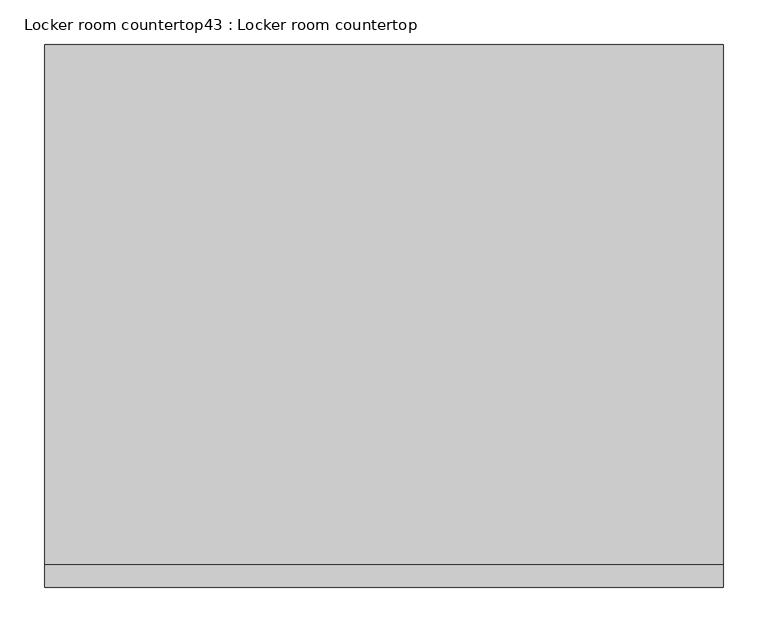
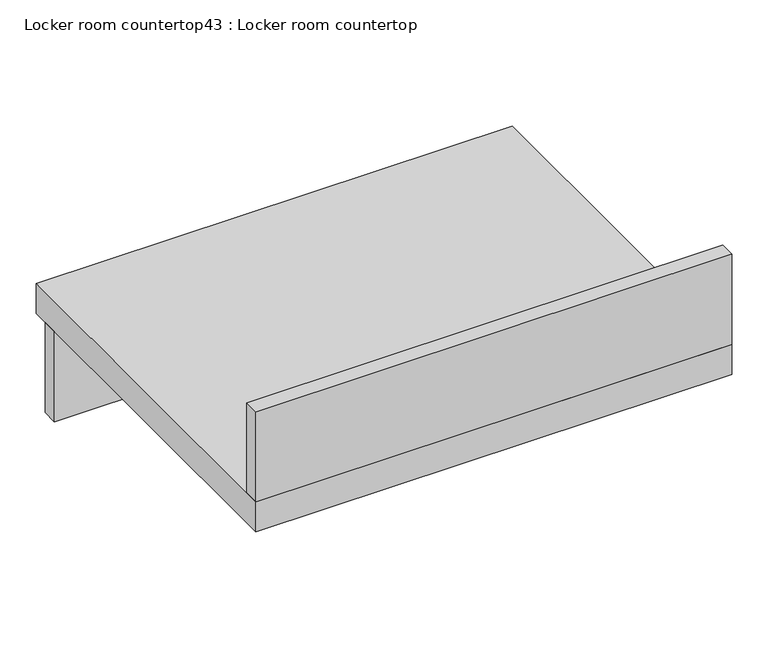
"""IFC4 building model written with IfcOpenShell, lengths in millimetres: furniture geometry, Locker room countertop43 : Locker room countertop."""

from ifc_helpers import new_model, si_unit, frame, origin, place, context, project, spatial, polyline, outline, extrude, source, transform, mapped, element, save


def locker_room_countertop43_locker_room_countertop_55beee11(model_context):
    return source(origin(), model_context, "Body", "SweptSolid", [
        extrude(outline(polyline([(249294.4379676, -306085.0955223), (249294.4379676, -306110.4955223), (248532.4379676, -306110.4955223), (248532.4379676, -306085.0955223), (249294.4379676, -306085.0955223)])), frame((0.0, 0.0, 660.4), z_axis=(0.0, 0.0, 1.0), x_axis=(1.0, 0.0, 0.0)), (0.0, 0.0, 1.0), 152.4),
        extrude(outline(polyline([(248532.4379676, -306643.8955223), (249294.4379676, -306643.8955223), (249294.4379676, -306669.2955223), (248532.4379676, -306669.2955223), (248532.4379676, -306643.8955223)])), frame((0.0, 0.0, 863.6), z_axis=(0.0, 0.0, 1.0), x_axis=(1.0, 0.0, 0.0)), (0.0, 0.0, 1.0), 152.4),
        extrude(outline(polyline([(248532.4379676, -306059.6955223), (249294.4379676, -306059.6955223), (249294.4379676, -306669.2955223), (248532.4379676, -306669.2955223), (248532.4379676, -306059.6955223)])), frame((0.0, 0.0, 812.8), z_axis=(0.0, 0.0, 1.0), x_axis=(1.0, 0.0, 0.0)), (0.0, 0.0, 1.0), 50.8),
    ])


if __name__ == "__main__":
    model = new_model("IFC4")
    model_context = context("Model", 3, world=origin())
    ifc_project = project(units=[si_unit("LENGTHUNIT", "METRE", prefix="MILLI")], contexts=[model_context])
    site = spatial("IfcSite", under=ifc_project)
    building = spatial("IfcBuilding", under=site)
    placement = place(None, origin())
    locker_room_countertop43_locker_room_countertop_shape = locker_room_countertop43_locker_room_countertop_55beee11(model_context)
    element("IfcFurniture", 1, ObjectType="Locker room countertop43 : Locker room countertop", at=placement, inside=building, context=model_context, shape_type="MappedRepresentation", body=[
        mapped(locker_room_countertop43_locker_room_countertop_shape, transform((0.0, 0.0, 0.0), x_axis=(1.0, 0.0, 0.0), y_axis=(0.0, 1.0, 0.0), z_axis=(0.0, 0.0, 1.0))),
    ])
    save(model, "model.ifc")
